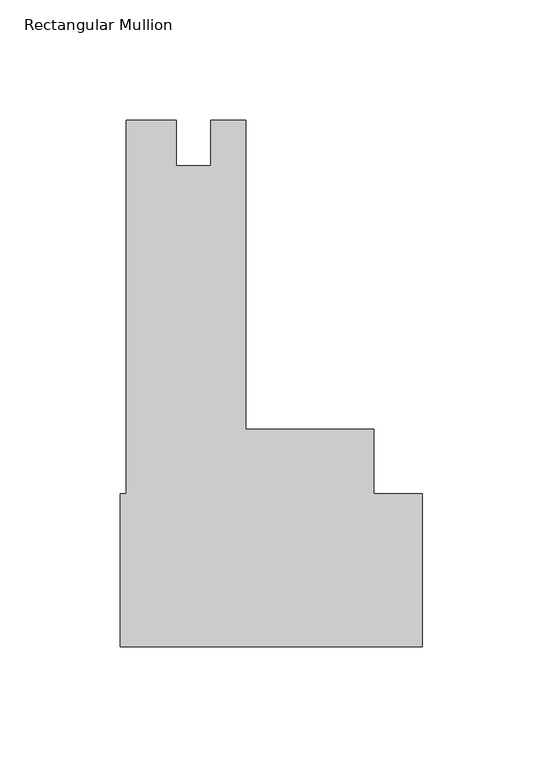
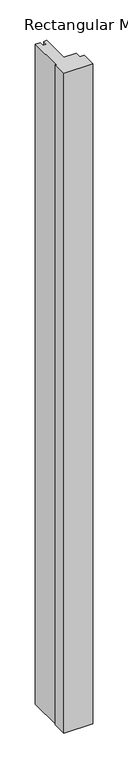
"""IFC4 building model written with IfcOpenShell, lengths in millimetres: member geometry, Rectangular Mullion."""

from ifc_helpers import new_model, si_unit, frame, origin, place, context, project, spatial, polyline, outline, extrude, source, transform, mapped, element, save


def rectangular_mullion_dd2c1838(model_context):
    return source(origin(), model_context, "Body", "SweptSolid", [
        extrude(outline(polyline([(0.0, -90.4747998), (-125.7808, -90.4747998), (-125.7808, -26.9747998), (-123.2153987, -26.9747998), (-123.2153987, 128.6002001), (-102.3365921, 128.6002001), (-102.3365921, 109.5756014), (-88.0236987, 109.5756014), (-88.0236987, 128.6002014), (-73.4313987, 128.6002014), (-73.4313987, 0.0), (-20.2501501, 0.0), (-20.2501501, -26.9747998), (0.0, -26.9747998), (0.0, -90.4747998)])), frame((0.0, 0.0, -3048.0), z_axis=(0.0, 0.0, 1.0), x_axis=(1.0, 0.0, 0.0)), (0.0, 0.0, 1.0), 3048.0),
    ])


if __name__ == "__main__":
    model = new_model("IFC4")
    model_context = context("Model", 3, world=origin())
    ifc_project = project(units=[si_unit("LENGTHUNIT", "METRE", prefix="MILLI")], contexts=[model_context])
    site = spatial("IfcSite", under=ifc_project)
    building = spatial("IfcBuilding", under=site)
    placement = place(None, origin())
    rectangular_mullion_shape = rectangular_mullion_dd2c1838(model_context)
    element("IfcMember", 1, ObjectType="Rectangular Mullion", at=placement, inside=building, context=model_context, shape_type="MappedRepresentation", body=[
        mapped(rectangular_mullion_shape, transform((0.0, 0.0, 0.0), x_axis=(1.0, 0.0, 0.0), y_axis=(0.0, 1.0, 0.0), z_axis=(0.0, 0.0, 1.0))),
    ])
    save(model, "model.ifc")
